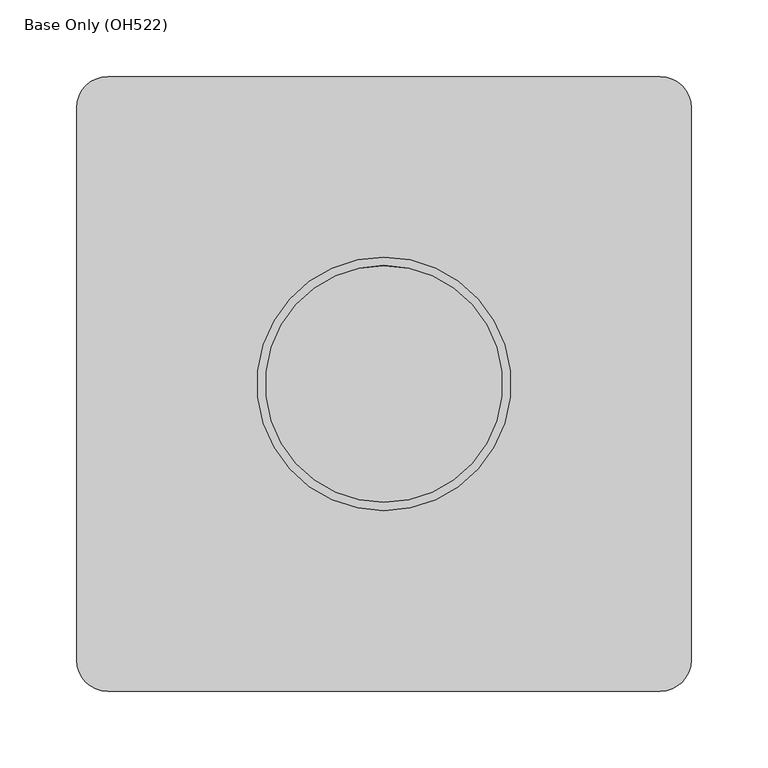
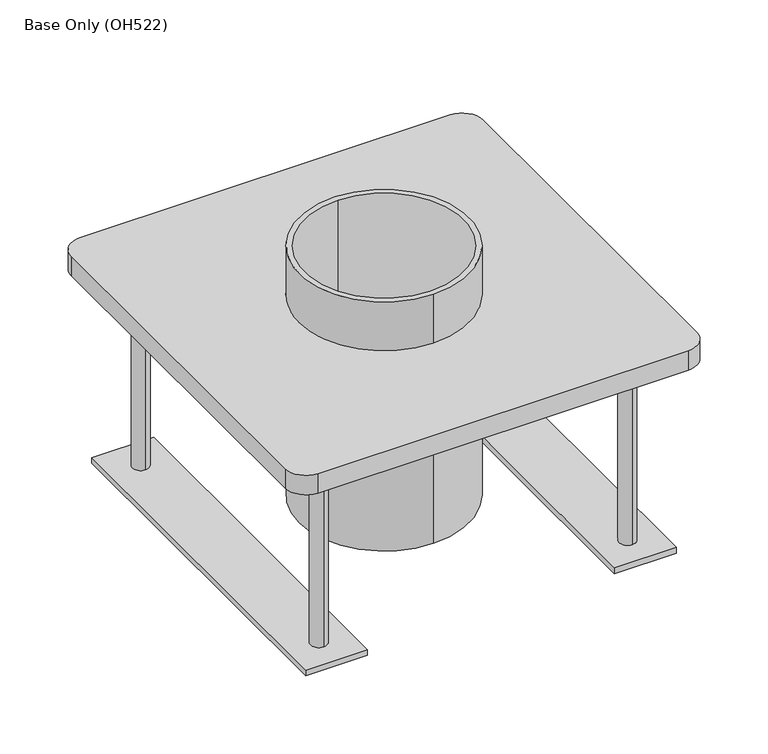
"""IFC4 building model written with IfcOpenShell, lengths in millimetres: proxy geometry, Base Only (OH522)."""

import ifcopenshell
import ifcopenshell.guid

model = None  # the IFC model being written
_history = None  # IfcOwnerHistory: only IFC2X3 demands one
_inside = {}  # id of a spatial element -> (the spatial element, [elements in it])
_under = {}  # id of a project, library or spatial element -> (it, [spatial elements below it])
_declared = {}  # id of a project -> (the project, [libraries it declares])
_typed = {}  # id of a type object -> (the type object, [elements of that type])
_made_of = {}  # id of a material, layer set ... -> (it, [elements and type objects made of it])


def new_model(schema):
    """Start an empty IFC model of exactly this schema.

    Asked for "IFC4X3", IfcOpenShell would pick the latest addendum, in which some entities
    have other attributes; the version numbers below select the first issue.
    IFC2X3 requires an IfcOwnerHistory on every rooted entity: one is made here for all.
    """
    global model, _history
    if schema == "IFC4X3":
        model = ifcopenshell.file(schema_version=(4, 3, 0, 0))
    else:
        model = ifcopenshell.file(schema=schema)
    _inside.clear()
    _under.clear()
    _declared.clear()
    _typed.clear()
    _made_of.clear()
    _history = None
    if model.schema == "IFC2X3":
        org = make("IfcOrganization", Name="unknown")
        user = make(
            "IfcPersonAndOrganization",
            ThePerson=make("IfcPerson", FamilyName="unknown"),
            TheOrganization=org,
        )
        app = make(
            "IfcApplication",
            ApplicationDeveloper=org,
            Version="unknown",
            ApplicationFullName="unknown",
            ApplicationIdentifier="unknown",
        )
        _history = make(
            "IfcOwnerHistory",
            OwningUser=user,
            OwningApplication=app,
            ChangeAction="ADDED",
            CreationDate=0,
        )
    return model


def make(cls, **values):
    """One entity of the class cls with the attributes given. An attribute that is None is left unset."""
    return model.create_entity(
        cls, **{name: value for name, value in values.items() if value is not None}
    )


def rooted(cls, **values):
    """An entity with a GlobalId (a new one), such as an element, a storey or a relation."""
    return make(cls, GlobalId=ifcopenshell.guid.new(), OwnerHistory=_history, **values)


def si_unit(unit_type, name, prefix=None):
    """IfcSIUnit, for example si_unit("LENGTHUNIT", "METRE", prefix="MILLI")."""
    return make("IfcSIUnit", UnitType=unit_type, Prefix=prefix, Name=name)


def assignment(units):
    """IfcUnitAssignment: the units of a project."""
    return None if units is None else make("IfcUnitAssignment", Units=units)


def point(xyz):
    """IfcCartesianPoint."""
    return None if xyz is None else make("IfcCartesianPoint", Coordinates=xyz)


def direction(xyz):
    """IfcDirection."""
    return None if xyz is None else make("IfcDirection", DirectionRatios=xyz)


def frame(location, z_axis=None, x_axis=None):
    """IfcAxis2Placement3D, a coordinate frame: its origin and axes. An axis left out is left unset."""
    return make(
        "IfcAxis2Placement3D",
        Location=point(location),
        Axis=direction(z_axis),
        RefDirection=direction(x_axis),
    )


def origin():
    """The frame at (0, 0, 0) with its axes left unset."""
    return frame((0.0, 0.0, 0.0))


def place(relative_to, where):
    """IfcLocalPlacement: puts the frame where relative to a parent placement (None: the world)."""
    return make(
        "IfcLocalPlacement", PlacementRelTo=relative_to, RelativePlacement=where
    )


def context(
    kind, dimensions, precision=None, world=None, true_north=None, identifier=None
):
    """IfcGeometricRepresentationContext, for example the 3D "Model" context."""
    return make(
        "IfcGeometricRepresentationContext",
        ContextIdentifier=identifier,
        ContextType=kind,
        CoordinateSpaceDimension=dimensions,
        Precision=precision,
        WorldCoordinateSystem=world,
        TrueNorth=true_north,
    )


def project(units=None, contexts=None):
    """IfcProject with its units and contexts."""
    return rooted(
        "IfcProject",
        Name="project",
        RepresentationContexts=contexts,
        UnitsInContext=assignment(units),
    )


def spatial(cls, under=None, at=None, **own):
    """A site, building, storey or space (cls), placed at a placement, below another one or the project."""
    s = rooted(cls, ObjectPlacement=at, **own)
    if under is not None:
        _under.setdefault(under.id(), (under, []))[1].append(s)
    return s


def polyline(points):
    """IfcPolyline through the points."""
    return make("IfcPolyline", Points=[point(p) for p in points])


def circle_curve(where, radius):
    """IfcCircle in the frame where."""
    return make("IfcCircle", Position=where, Radius=radius)


def shape(context_of_items, identifier, shape_type, items):
    """IfcShapeRepresentation: the items that make up one representation, for example the "Body"."""
    return make(
        "IfcShapeRepresentation",
        ContextOfItems=context_of_items,
        RepresentationIdentifier=identifier,
        RepresentationType=shape_type,
        Items=items,
    )


def source(mapping_origin, context_of_items, identifier, shape_type, items):
    """IfcRepresentationMap: a shape defined once, which mapped items show again and again."""
    return make(
        "IfcRepresentationMap",
        MappingOrigin=mapping_origin,
        MappedRepresentation=shape(context_of_items, identifier, shape_type, items),
    )


def transform(
    local_origin,
    x_axis=None,
    y_axis=None,
    z_axis=None,
    scale=None,
    scale2=None,
    scale3=None,
    uniform=True,
):
    """IfcCartesianTransformationOperator3D, or its non-uniform kind. x_axis, y_axis, z_axis: its Axis1, 2, 3."""
    if uniform:
        return make(
            "IfcCartesianTransformationOperator3D",
            Axis1=direction(x_axis),
            Axis2=direction(y_axis),
            LocalOrigin=point(local_origin),
            Scale=scale,
            Axis3=direction(z_axis),
        )
    return make(
        "IfcCartesianTransformationOperator3DnonUniform",
        Axis1=direction(x_axis),
        Axis2=direction(y_axis),
        LocalOrigin=point(local_origin),
        Scale=scale,
        Axis3=direction(z_axis),
        Scale2=scale2,
        Scale3=scale3,
    )


def mapped(mapping_source, mapping_target):
    """IfcMappedItem: shows the shape of a source again, moved by a transform."""
    return make(
        "IfcMappedItem", MappingSource=mapping_source, MappingTarget=mapping_target
    )


def made_of(thing, what):
    """Note that an element or type object is made of a material, layer set ...; save() writes the relation."""
    if what is not None:
        _made_of.setdefault(what.id(), (what, []))[1].append(thing)
    return thing


def element(
    cls,
    number,
    at=None,
    inside=None,
    cuts=None,
    type_object=None,
    material=None,
    context=None,
    identifier="Body",
    shape_type=None,
    held_by="IfcProductDefinitionShape",
    body=None,
    shapes=None,
    **own,
):
    """One element of the class cls, such as IfcWall. Its Tag is "e" and its number.

    at: its placement. inside: the storey or other place that contains it. cuts: it is an
    opening in that element (IfcRelVoidsElement). A single representation is given by context,
    identifier, shape_type and body (its items); several are given by shapes. held_by: the class
    of the entity that holds the representations. save() writes the other relations.
    """
    e = rooted(cls, Tag="e%d" % number, ObjectPlacement=at, **own)
    if body is not None:
        shapes = [shape(context, identifier, shape_type, body)]
    if shapes is not None:
        e.Representation = make(held_by, Representations=shapes)
    if inside is not None:
        _inside.setdefault(inside.id(), (inside, []))[1].append(e)
    if cuts is not None:
        rooted(
            "IfcRelVoidsElement", RelatingBuildingElement=cuts, RelatedOpeningElement=e
        )
    if type_object is not None:
        _typed.setdefault(type_object.id(), (type_object, []))[1].append(e)
    return made_of(e, material)


def aggregate(whole, parts):
    """IfcRelAggregates: a whole, such as a stair, and the parts it consists of."""
    return rooted("IfcRelAggregates", RelatingObject=whole, RelatedObjects=parts)


def save(model, path):
    """Write the relations noted so far, then the file.

    IfcRelAggregates (storeys below a building ...), IfcRelContainedInSpatialStructure (elements
    in a storey), IfcRelDefinesByType, IfcRelAssociatesMaterial and IfcRelDeclares: one each for
    every whole, place, type object, material and project.
    """
    for whole, parts in _under.values():
        aggregate(whole, parts)
    for where, things in _inside.values():
        rooted(
            "IfcRelContainedInSpatialStructure",
            RelatedElements=things,
            RelatingStructure=where,
        )
    for kind, things in _typed.values():
        rooted("IfcRelDefinesByType", RelatedObjects=things, RelatingType=kind)
    for what, things in _made_of.values():
        rooted("IfcRelAssociatesMaterial", RelatedObjects=things, RelatingMaterial=what)
    for by, libraries in _declared.values():
        rooted("IfcRelDeclares", RelatingContext=by, RelatedDefinitions=libraries)
    model.write(path)


def plane_surface(at):
    """IfcPlane: the flat surface through the origin of the frame at, square to its z axis."""
    return make("IfcPlane", Position=at)


def cylinder_surface(at, radius):
    """IfcCylindricalSurface: all points at the distance radius from the z axis of the frame at."""
    return make("IfcCylindricalSurface", Position=at, Radius=radius)


def revolved_surface(curve, axis_point, axis_direction):
    """IfcSurfaceOfRevolution: the curve turned about the line through axis_point along axis_direction."""
    return make(
        "IfcSurfaceOfRevolution",
        SweptCurve=make("IfcArbitraryOpenProfileDef", ProfileType="CURVE", Curve=curve),
        AxisPosition=make("IfcAxis1Placement", Location=point(axis_point), Axis=direction(axis_direction)),
    )


def advanced_brep(points, edges, surfaces, faces):
    """IfcAdvancedBrep: a solid bounded by faces that lie on surfaces and meet in shared edges.

    An edge is (start, end): straight between two places in points (the first is 0);
    or (start, end, curve); or (start, end, curve, False) where it runs against its curve.
    A face is (place in surfaces, loops), or (place, loops, False) where it looks against
    its surface's normal. A loop lists edges by number (the first is 1), with a minus sign
    where the edge is run from its end to its start. The first loop is the outer one.
    """
    corners = [point(p) for p in points]
    vertices = [make("IfcVertexPoint", VertexGeometry=c) for c in corners]
    made = []
    for start, end, *more in edges:
        made.append(
            make(
                "IfcEdgeCurve",
                EdgeStart=vertices[start],
                EdgeEnd=vertices[end],
                EdgeGeometry=more[0] if more else make("IfcPolyline", Points=[corners[start], corners[end]]),
                SameSense=more[1] if len(more) > 1 else True,
            )
        )
    hull = []
    for where, loops, *sense in faces:
        bounds = []
        for j, loop in enumerate(loops):
            ring = [make("IfcOrientedEdge", EdgeElement=made[abs(k) - 1], Orientation=k > 0) for k in loop]
            bounds.append(
                make(
                    "IfcFaceOuterBound" if j == 0 else "IfcFaceBound",
                    Bound=make("IfcEdgeLoop", EdgeList=ring),
                    Orientation=True,
                )
            )
        hull.append(make("IfcAdvancedFace", Bounds=bounds, FaceSurface=surfaces[where], SameSense=sense[0] if sense else True))
    return make("IfcAdvancedBrep", Outer=make("IfcClosedShell", CfsFaces=hull))


def base_only_oh522_84ab98ff(model_context):
    return source(origin(), model_context, "Body", "AdvancedBrep", [
        advanced_brep(
        [(0.0, 82.55, 50.0), (0.0, -82.55, 50.0), (0.0, 77.15, 50.0), (0.0, -77.15, 50.0), (0.0, 82.55, -206.0), (0.0, -82.55, -206.0), (0.0, 77.15, -200.0), (0.0, -77.15, -200.0)],
        [
            (0, 1, circle_curve(frame((0.0, 0.0, 50.0), z_axis=(0.0, 0.0, 1.0), x_axis=(0.0, -1.0, 0.0)), 82.55)),
            (1, 0, circle_curve(frame((0.0, 0.0, 50.0), z_axis=(0.0, 0.0, 1.0), x_axis=(0.0, -1.0, 0.0)), 82.55)),
            (2, 3, circle_curve(frame((0.0, 0.0, 50.0), z_axis=(0.0, 0.0, -1.0), x_axis=(0.0, -1.0, 0.0)), 77.15)),
            (3, 2, circle_curve(frame((0.0, 0.0, 50.0), z_axis=(0.0, 0.0, -1.0), x_axis=(0.0, -1.0, 0.0)), 77.15)),
            (4, 5, circle_curve(frame((0.0, 0.0, -206.0), z_axis=(0.0, 0.0, -1.0), x_axis=(0.0, -1.0, 0.0)), 82.55)),
            (5, 4, circle_curve(frame((0.0, 0.0, -206.0), z_axis=(0.0, 0.0, -1.0), x_axis=(0.0, -1.0, 0.0)), 82.55)),
            (2, 6),
            (6, 7, circle_curve(frame((0.0, 0.0, -200.0), z_axis=(0.0, 0.0, -1.0), x_axis=(0.0, -1.0, 0.0)), 77.15)),
            (7, 3),
            (7, 6, circle_curve(frame((0.0, 0.0, -200.0), z_axis=(0.0, 0.0, -1.0), x_axis=(0.0, -1.0, 0.0)), 77.15)),
            (0, 4),
            (5, 1),
        ],
        [
            plane_surface(frame((0.0, -77.15, 50.0), z_axis=(0.0, 0.0, 1.0), x_axis=(-1.0, 0.0, 0.0))),
            plane_surface(frame((0.0, -77.15, -206.0), z_axis=(0.0, 0.0, -1.0), x_axis=(1.0, 0.0, 0.0))),
            revolved_surface(polyline([(0.0, -77.15, -200.0), (0.0, -77.15, 50.0)]), (0.0, 0.0, -206.0), (0.0, 0.0, -1.0)),
            cylinder_surface(frame((0.0, 0.0, 0.0), z_axis=(0.0, 0.0, 1.0), x_axis=(0.0, -1.0, 0.0)), 82.55),
            plane_surface(frame((0.0, -77.15, -200.0), z_axis=(0.0, 0.0, 1.0), x_axis=(1.0, 0.0, 0.0))),
        ],
        [
            (0, [[1, 2], [3, 4]]),
            (1, [[5, 6]]),
            (2, [[-3, 7, 8, 9]]),
            (2, [[-4, -9, 10, -7]]),
            (3, [[-1, 11, -6, 12]]),
            (3, [[-2, -12, -5, -11]]),
            (4, [[-8, -10]]),
        ],
    ),
        advanced_brep(
        [(-120.0, 180.0, -220.0), (-120.0, -180.0, -220.0), (-180.0, -180.0, -220.0), (-180.0, 180.0, -220.0), (120.0, 180.0, -220.0), (180.0, 180.0, -220.0), (180.0, -180.0, -220.0), (120.0, -180.0, -220.0), (-120.0, 180.0, -214.0), (-180.0, 180.0, -214.0), (-180.0, -180.0, -214.0), (-120.0, -180.0, -214.0), (-150.0, 142.0, -214.0), (-150.0, 158.0, -214.0), (-150.0, -158.0, -214.0), (-150.0, -142.0, -214.0), (120.0, 180.0, -214.0), (120.0, -180.0, -214.0), (180.0, -180.0, -214.0), (180.0, 180.0, -214.0), (150.0, 142.0, -214.0), (150.0, 158.0, -214.0), (150.0, -158.0, -214.0), (150.0, -142.0, -214.0), (150.0, 158.0, -20.0), (150.0, 142.0, -20.0), (150.0, -142.0, -20.0), (150.0, -158.0, -20.0), (-150.0, 158.0, -20.0), (-150.0, 142.0, -20.0), (-150.0, -142.0, -20.0), (-150.0, -158.0, -20.0), (180.0, 200.0, -20.0), (200.0, 180.0, -20.0), (200.0, -180.0, -20.0), (180.0, -200.0, -20.0), (-180.0, -200.0, -20.0), (-200.0, -180.0, -20.0), (-200.0, 180.0, -20.0), (-180.0, 200.0, -20.0), (0.0, 82.55, -20.0), (0.0, -82.55, -20.0), (180.0, 200.0, 0.0), (-180.0, 200.0, 0.0), (-200.0, 180.0, 0.0), (-200.0, -180.0, 0.0), (-180.0, -200.0, 0.0), (180.0, -200.0, 0.0), (200.0, -180.0, 0.0), (200.0, 180.0, 0.0), (0.0, 82.55, 0.0), (0.0, -82.55, 0.0)],
        [
            (0, 1),
            (1, 2),
            (2, 3),
            (3, 0),
            (4, 5),
            (5, 6),
            (6, 7),
            (7, 4),
            (8, 9),
            (9, 10),
            (10, 11),
            (11, 8),
            (12, 13, circle_curve(frame((-150.0, 150.0, -214.0), z_axis=(0.0, 0.0, -1.0), x_axis=(0.0, -1.0, 0.0)), 8.0)),
            (13, 12, circle_curve(frame((-150.0, 150.0, -214.0), z_axis=(0.0, 0.0, -1.0), x_axis=(0.0, -1.0, 0.0)), 8.0)),
            (14, 15, circle_curve(frame((-150.0, -150.0, -214.0), z_axis=(0.0, 0.0, -1.0), x_axis=(0.0, -1.0, 0.0)), 8.0)),
            (15, 14, circle_curve(frame((-150.0, -150.0, -214.0), z_axis=(0.0, 0.0, -1.0), x_axis=(0.0, -1.0, 0.0)), 8.0)),
            (16, 17),
            (17, 18),
            (18, 19),
            (19, 16),
            (20, 21, circle_curve(frame((150.0, 150.0, -214.0), z_axis=(0.0, 0.0, -1.0), x_axis=(0.0, -1.0, 0.0)), 8.0)),
            (21, 20, circle_curve(frame((150.0, 150.0, -214.0), z_axis=(0.0, 0.0, -1.0), x_axis=(0.0, -1.0, 0.0)), 8.0)),
            (22, 23, circle_curve(frame((150.0, -150.0, -214.0), z_axis=(0.0, 0.0, -1.0), x_axis=(0.0, -1.0, 0.0)), 8.0)),
            (23, 22, circle_curve(frame((150.0, -150.0, -214.0), z_axis=(0.0, 0.0, -1.0), x_axis=(0.0, -1.0, 0.0)), 8.0)),
            (3, 9),
            (8, 0),
            (2, 10),
            (1, 11),
            (7, 17),
            (16, 4),
            (6, 18),
            (5, 19),
            (24, 21),
            (20, 25),
            (25, 24, circle_curve(frame((150.0, 150.0, -20.0), z_axis=(0.0, 0.0, -1.0), x_axis=(0.0, -1.0, 0.0)), 8.0)),
            (24, 25, circle_curve(frame((150.0, 150.0, -20.0), z_axis=(0.0, 0.0, -1.0), x_axis=(0.0, -1.0, 0.0)), 8.0)),
            (26, 23),
            (22, 27),
            (27, 26, circle_curve(frame((150.0, -150.0, -20.0), z_axis=(0.0, 0.0, -1.0), x_axis=(0.0, -1.0, 0.0)), 8.0)),
            (26, 27, circle_curve(frame((150.0, -150.0, -20.0), z_axis=(0.0, 0.0, -1.0), x_axis=(0.0, -1.0, 0.0)), 8.0)),
            (28, 13),
            (12, 29),
            (29, 28, circle_curve(frame((-150.0, 150.0, -20.0), z_axis=(0.0, 0.0, -1.0), x_axis=(0.0, -1.0, 0.0)), 8.0)),
            (28, 29, circle_curve(frame((-150.0, 150.0, -20.0), z_axis=(0.0, 0.0, -1.0), x_axis=(0.0, -1.0, 0.0)), 8.0)),
            (30, 15),
            (14, 31),
            (31, 30, circle_curve(frame((-150.0, -150.0, -20.0), z_axis=(0.0, 0.0, -1.0), x_axis=(0.0, -1.0, 0.0)), 8.0)),
            (30, 31, circle_curve(frame((-150.0, -150.0, -20.0), z_axis=(0.0, 0.0, -1.0), x_axis=(0.0, -1.0, 0.0)), 8.0)),
            (32, 33, circle_curve(frame((180.0, 180.0, -20.0), z_axis=(0.0, 0.0, -1.0), x_axis=(0.0, -1.0, 0.0)), 20.0)),
            (33, 34),
            (34, 35, circle_curve(frame((180.0, -180.0, -20.0), z_axis=(0.0, 0.0, -1.0), x_axis=(0.0, -1.0, 0.0)), 20.0)),
            (35, 36),
            (36, 37, circle_curve(frame((-180.0, -180.0, -20.0), z_axis=(0.0, 0.0, -1.0), x_axis=(0.0, -1.0, 0.0)), 20.0)),
            (37, 38),
            (38, 39, circle_curve(frame((-180.0, 180.0, -20.0), z_axis=(0.0, 0.0, -1.0), x_axis=(0.0, -1.0, 0.0)), 20.0)),
            (39, 32),
            (40, 41, circle_curve(frame((0.0, 0.0, -20.0), z_axis=(0.0, 0.0, 1.0), x_axis=(0.0, -1.0, 0.0)), 82.55)),
            (41, 40, circle_curve(frame((0.0, 0.0, -20.0), z_axis=(0.0, 0.0, 1.0), x_axis=(0.0, -1.0, 0.0)), 82.55)),
            (42, 43),
            (43, 44, circle_curve(frame((-180.0, 180.0, 0.0), z_axis=(0.0, 0.0, 1.0), x_axis=(0.0, -1.0, 0.0)), 20.0)),
            (44, 45),
            (45, 46, circle_curve(frame((-180.0, -180.0, 0.0), z_axis=(0.0, 0.0, 1.0), x_axis=(0.0, -1.0, 0.0)), 20.0)),
            (46, 47),
            (47, 48, circle_curve(frame((180.0, -180.0, 0.0), z_axis=(0.0, 0.0, 1.0), x_axis=(0.0, -1.0, 0.0)), 20.0)),
            (48, 49),
            (49, 42, circle_curve(frame((180.0, 180.0, 0.0), z_axis=(0.0, 0.0, 1.0), x_axis=(0.0, -1.0, 0.0)), 20.0)),
            (50, 51, circle_curve(frame((0.0, 0.0, 0.0), z_axis=(0.0, 0.0, -1.0), x_axis=(0.0, -1.0, 0.0)), 82.55)),
            (51, 50, circle_curve(frame((0.0, 0.0, 0.0), z_axis=(0.0, 0.0, -1.0), x_axis=(0.0, -1.0, 0.0)), 82.55)),
            (39, 43),
            (42, 32),
            (38, 44),
            (37, 45),
            (36, 46),
            (35, 47),
            (34, 48),
            (33, 49),
            (41, 51),
            (50, 40),
        ],
        [
            plane_surface(frame((-180.0, 180.0, -220.0), z_axis=(0.0, 0.0, -1.0), x_axis=(1.0, 0.0, 0.0))),
            plane_surface(frame((-180.0, 180.0, -214.0), z_axis=(0.0, 0.0, 1.0), x_axis=(-1.0, 0.0, 0.0))),
            plane_surface(frame((-120.0, 180.0, -214.0), z_axis=(0.0, 1.0, 0.0), x_axis=(0.0, 0.0, -1.0))),
            plane_surface(frame((-180.0, 180.0, -214.0), z_axis=(-1.0, 0.0, 0.0), x_axis=(0.0, 0.0, -1.0))),
            plane_surface(frame((-180.0, -180.0, -214.0), z_axis=(0.0, -1.0, 0.0), x_axis=(0.0, 0.0, -1.0))),
            plane_surface(frame((-120.0, -180.0, -214.0), z_axis=(1.0, 0.0, 0.0), x_axis=(0.0, 0.0, -1.0))),
            plane_surface(frame((120.0, 180.0, -214.0), z_axis=(-1.0, 0.0, 0.0), x_axis=(0.0, 0.0, -1.0))),
            plane_surface(frame((120.0, -180.0, -214.0), z_axis=(0.0, -1.0, 0.0), x_axis=(0.0, 0.0, -1.0))),
            plane_surface(frame((180.0, -180.0, -214.0), z_axis=(1.0, 0.0, 0.0), x_axis=(0.0, 0.0, -1.0))),
            plane_surface(frame((180.0, 180.0, -214.0), z_axis=(0.0, 1.0, 0.0), x_axis=(0.0, 0.0, -1.0))),
            cylinder_surface(frame((150.0, 150.0, -214.0), z_axis=(0.0, 0.0, 1.0), x_axis=(0.0, -1.0, 0.0)), 8.0),
            cylinder_surface(frame((150.0, -150.0, 0.0), z_axis=(0.0, 0.0, 1.0), x_axis=(0.0, -1.0, 0.0)), 8.0),
            cylinder_surface(frame((-150.0, 150.0, 0.0), z_axis=(0.0, 0.0, 1.0), x_axis=(0.0, -1.0, 0.0)), 8.0),
            cylinder_surface(frame((-150.0, -150.0, 0.0), z_axis=(0.0, 0.0, 1.0), x_axis=(0.0, -1.0, 0.0)), 8.0),
            plane_surface(frame((-180.0, 200.0, -20.0), z_axis=(0.0, 0.0, -1.0), x_axis=(1.0, 0.0, 0.0))),
            plane_surface(frame((-180.0, 200.0, 0.0), z_axis=(0.0, 0.0, 1.0), x_axis=(-1.0, 0.0, 0.0))),
            plane_surface(frame((180.0, 200.0, 0.0), z_axis=(0.0, 1.0, 0.0), x_axis=(0.0, 0.0, -1.0))),
            cylinder_surface(frame((-180.0, 180.0, -20.0), z_axis=(0.0, 0.0, 1.0), x_axis=(0.0, -1.0, 0.0)), 20.0),
            plane_surface(frame((-200.0, 180.0, 0.0), z_axis=(-1.0, 0.0, 0.0), x_axis=(0.0, 0.0, -1.0))),
            cylinder_surface(frame((-180.0, -180.0, -20.0), z_axis=(0.0, 0.0, 1.0), x_axis=(0.0, -1.0, 0.0)), 20.0),
            plane_surface(frame((-180.0, -200.0, 0.0), z_axis=(0.0, -1.0, 0.0), x_axis=(0.0, 0.0, -1.0))),
            cylinder_surface(frame((180.0, -180.0, -20.0), z_axis=(0.0, 0.0, 1.0), x_axis=(0.0, -1.0, 0.0)), 20.0),
            plane_surface(frame((200.0, -180.0, 0.0), z_axis=(1.0, 0.0, 0.0), x_axis=(0.0, 0.0, -1.0))),
            cylinder_surface(frame((180.0, 180.0, -20.0), z_axis=(0.0, 0.0, 1.0), x_axis=(0.0, -1.0, 0.0)), 20.0),
            revolved_surface(polyline([(0.0, -82.55, -20.0), (0.0, -82.55, 0.0)]), (0.0, 0.0, 0.0), (0.0, 0.0, -1.0)),
        ],
        [
            (0, [[1, 2, 3, 4]]),
            (0, [[5, 6, 7, 8]]),
            (1, [[9, 10, 11, 12], [13, 14], [15, 16]]),
            (1, [[17, 18, 19, 20], [21, 22], [23, 24]]),
            (2, [[-4, 25, -9, 26]]),
            (3, [[-3, 27, -10, -25]]),
            (4, [[-2, 28, -11, -27]]),
            (5, [[-1, -26, -12, -28]]),
            (6, [[-8, 29, -17, 30]]),
            (7, [[-7, 31, -18, -29]]),
            (8, [[-6, 32, -19, -31]]),
            (9, [[-5, -30, -20, -32]]),
            (10, [[33, -21, 34, 35]]),
            (10, [[-33, 36, -34, -22]]),
            (11, [[37, -23, 38, 39]]),
            (11, [[-37, 40, -38, -24]]),
            (12, [[41, -13, 42, 43]]),
            (12, [[-41, 44, -42, -14]]),
            (13, [[45, -15, 46, 47]]),
            (13, [[-45, 48, -46, -16]]),
            (14, [[49, 50, 51, 52, 53, 54, 55, 56], [-35, -36], [-39, -40], [-43, -44], [-47, -48], [57, 58]]),
            (15, [[59, 60, 61, 62, 63, 64, 65, 66], [67, 68]]),
            (16, [[-56, 69, -59, 70]]),
            (17, [[-55, 71, -60, -69]]),
            (18, [[-54, 72, -61, -71]]),
            (19, [[-53, 73, -62, -72]]),
            (20, [[-52, 74, -63, -73]]),
            (21, [[-51, 75, -64, -74]]),
            (22, [[-50, 76, -65, -75]]),
            (23, [[-49, -70, -66, -76]]),
            (24, [[-58, 77, -67, 78]]),
            (24, [[-57, -78, -68, -77]]),
        ],
    ),
    ])


if __name__ == "__main__":
    model = new_model("IFC4")
    model_context = context("Model", 3, world=origin())
    ifc_project = project(units=[si_unit("LENGTHUNIT", "METRE", prefix="MILLI")], contexts=[model_context])
    site = spatial("IfcSite", under=ifc_project)
    building = spatial("IfcBuilding", under=site)
    placement = place(None, origin())
    base_only_oh522_shape = base_only_oh522_84ab98ff(model_context)
    element("IfcBuildingElementProxy", 1, Name="Base Only (OH522)", ObjectType="Base Only (OH522)", at=placement, inside=building, context=model_context, shape_type="MappedRepresentation", body=[
        mapped(base_only_oh522_shape, transform((0.0, 0.0, 0.0), x_axis=(1.0, 0.0, 0.0), y_axis=(0.0, 1.0, 0.0), z_axis=(0.0, 0.0, 1.0))),
    ])
    save(model, "model.ifc")
